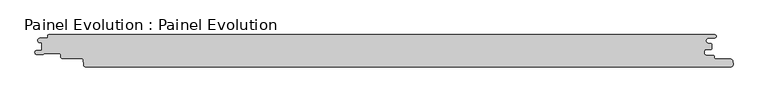
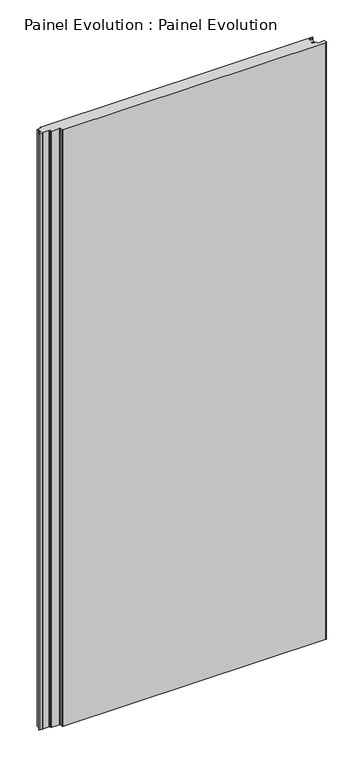
"""IFC4 building model written with IfcOpenShell, lengths in millimetres: proxy geometry, Painel Evolution : Painel Evolution."""

import ifcopenshell
import ifcopenshell.guid

model = None  # the IFC model being written
_history = None  # IfcOwnerHistory: only IFC2X3 demands one
_inside = {}  # id of a spatial element -> (the spatial element, [elements in it])
_under = {}  # id of a project, library or spatial element -> (it, [spatial elements below it])
_declared = {}  # id of a project -> (the project, [libraries it declares])
_typed = {}  # id of a type object -> (the type object, [elements of that type])
_made_of = {}  # id of a material, layer set ... -> (it, [elements and type objects made of it])


def new_model(schema):
    """Start an empty IFC model of exactly this schema.

    Asked for "IFC4X3", IfcOpenShell would pick the latest addendum, in which some entities
    have other attributes; the version numbers below select the first issue.
    IFC2X3 requires an IfcOwnerHistory on every rooted entity: one is made here for all.
    """
    global model, _history
    if schema == "IFC4X3":
        model = ifcopenshell.file(schema_version=(4, 3, 0, 0))
    else:
        model = ifcopenshell.file(schema=schema)
    _inside.clear()
    _under.clear()
    _declared.clear()
    _typed.clear()
    _made_of.clear()
    _history = None
    if model.schema == "IFC2X3":
        org = make("IfcOrganization", Name="unknown")
        user = make(
            "IfcPersonAndOrganization",
            ThePerson=make("IfcPerson", FamilyName="unknown"),
            TheOrganization=org,
        )
        app = make(
            "IfcApplication",
            ApplicationDeveloper=org,
            Version="unknown",
            ApplicationFullName="unknown",
            ApplicationIdentifier="unknown",
        )
        _history = make(
            "IfcOwnerHistory",
            OwningUser=user,
            OwningApplication=app,
            ChangeAction="ADDED",
            CreationDate=0,
        )
    return model


def make(cls, **values):
    """One entity of the class cls with the attributes given. An attribute that is None is left unset."""
    return model.create_entity(
        cls, **{name: value for name, value in values.items() if value is not None}
    )


def rooted(cls, **values):
    """An entity with a GlobalId (a new one), such as an element, a storey or a relation."""
    return make(cls, GlobalId=ifcopenshell.guid.new(), OwnerHistory=_history, **values)


def si_unit(unit_type, name, prefix=None):
    """IfcSIUnit, for example si_unit("LENGTHUNIT", "METRE", prefix="MILLI")."""
    return make("IfcSIUnit", UnitType=unit_type, Prefix=prefix, Name=name)


def assignment(units):
    """IfcUnitAssignment: the units of a project."""
    return None if units is None else make("IfcUnitAssignment", Units=units)


def point(xyz):
    """IfcCartesianPoint."""
    return None if xyz is None else make("IfcCartesianPoint", Coordinates=xyz)


def direction(xyz):
    """IfcDirection."""
    return None if xyz is None else make("IfcDirection", DirectionRatios=xyz)


def frame(location, z_axis=None, x_axis=None):
    """IfcAxis2Placement3D, a coordinate frame: its origin and axes. An axis left out is left unset."""
    return make(
        "IfcAxis2Placement3D",
        Location=point(location),
        Axis=direction(z_axis),
        RefDirection=direction(x_axis),
    )


def frame_2d(location, x_axis=None):
    """IfcAxis2Placement2D, a coordinate frame in the plane: its origin and x axis."""
    return make(
        "IfcAxis2Placement2D", Location=point(location), RefDirection=direction(x_axis)
    )


def origin():
    """The frame at (0, 0, 0) with its axes left unset."""
    return frame((0.0, 0.0, 0.0))


def origin_with_axes():
    """The frame at (0, 0, 0) with the z axis (0, 0, 1) and the x axis (1, 0, 0) written out."""
    return frame((0.0, 0.0, 0.0), z_axis=(0.0, 0.0, 1.0), x_axis=(1.0, 0.0, 0.0))


def place(relative_to, where):
    """IfcLocalPlacement: puts the frame where relative to a parent placement (None: the world)."""
    return make(
        "IfcLocalPlacement", PlacementRelTo=relative_to, RelativePlacement=where
    )


def context(
    kind, dimensions, precision=None, world=None, true_north=None, identifier=None
):
    """IfcGeometricRepresentationContext, for example the 3D "Model" context."""
    return make(
        "IfcGeometricRepresentationContext",
        ContextIdentifier=identifier,
        ContextType=kind,
        CoordinateSpaceDimension=dimensions,
        Precision=precision,
        WorldCoordinateSystem=world,
        TrueNorth=true_north,
    )


def project(units=None, contexts=None):
    """IfcProject with its units and contexts."""
    return rooted(
        "IfcProject",
        Name="project",
        RepresentationContexts=contexts,
        UnitsInContext=assignment(units),
    )


def spatial(cls, under=None, at=None, **own):
    """A site, building, storey or space (cls), placed at a placement, below another one or the project."""
    s = rooted(cls, ObjectPlacement=at, **own)
    if under is not None:
        _under.setdefault(under.id(), (under, []))[1].append(s)
    return s


def polyline(points):
    """IfcPolyline through the points."""
    return make("IfcPolyline", Points=[point(p) for p in points])


def circle_curve(where, radius):
    """IfcCircle in the frame where."""
    return make("IfcCircle", Position=where, Radius=radius)


def trimmed(basis, trim1, trim2, sense, master):
    """IfcTrimmedCurve: the piece of a basis curve between two trims."""
    return make(
        "IfcTrimmedCurve",
        BasisCurve=basis,
        Trim1=trim1,
        Trim2=trim2,
        SenseAgreement=sense,
        MasterRepresentation=master,
    )


def segment(curve, same_sense, transition):
    """IfcCompositeCurveSegment."""
    return make(
        "IfcCompositeCurveSegment",
        Transition=transition,
        SameSense=same_sense,
        ParentCurve=curve,
    )


def composite_curve(segments, self_intersect=None):
    """IfcCompositeCurve: segments joined end to end."""
    return make("IfcCompositeCurve", Segments=segments, SelfIntersect=self_intersect)


def outline(outer, holes=None, kind="AREA"):
    """IfcArbitraryClosedProfileDef: a profile drawn as a closed curve; with holes, ...WithVoids."""
    if holes is None:
        return make("IfcArbitraryClosedProfileDef", ProfileType=kind, OuterCurve=outer)
    return make(
        "IfcArbitraryProfileDefWithVoids",
        ProfileType=kind,
        OuterCurve=outer,
        InnerCurves=holes,
    )


def extrude(swept, where, along, depth):
    """IfcExtrudedAreaSolid: the profile swept, set in the frame where, extruded along a direction by depth."""
    return make(
        "IfcExtrudedAreaSolid",
        SweptArea=swept,
        Position=where,
        ExtrudedDirection=direction(along),
        Depth=depth,
    )


def shape(context_of_items, identifier, shape_type, items):
    """IfcShapeRepresentation: the items that make up one representation, for example the "Body"."""
    return make(
        "IfcShapeRepresentation",
        ContextOfItems=context_of_items,
        RepresentationIdentifier=identifier,
        RepresentationType=shape_type,
        Items=items,
    )


def source(mapping_origin, context_of_items, identifier, shape_type, items):
    """IfcRepresentationMap: a shape defined once, which mapped items show again and again."""
    return make(
        "IfcRepresentationMap",
        MappingOrigin=mapping_origin,
        MappedRepresentation=shape(context_of_items, identifier, shape_type, items),
    )


def transform(
    local_origin,
    x_axis=None,
    y_axis=None,
    z_axis=None,
    scale=None,
    scale2=None,
    scale3=None,
    uniform=True,
):
    """IfcCartesianTransformationOperator3D, or its non-uniform kind. x_axis, y_axis, z_axis: its Axis1, 2, 3."""
    if uniform:
        return make(
            "IfcCartesianTransformationOperator3D",
            Axis1=direction(x_axis),
            Axis2=direction(y_axis),
            LocalOrigin=point(local_origin),
            Scale=scale,
            Axis3=direction(z_axis),
        )
    return make(
        "IfcCartesianTransformationOperator3DnonUniform",
        Axis1=direction(x_axis),
        Axis2=direction(y_axis),
        LocalOrigin=point(local_origin),
        Scale=scale,
        Axis3=direction(z_axis),
        Scale2=scale2,
        Scale3=scale3,
    )


def mapped(mapping_source, mapping_target):
    """IfcMappedItem: shows the shape of a source again, moved by a transform."""
    return make(
        "IfcMappedItem", MappingSource=mapping_source, MappingTarget=mapping_target
    )


def made_of(thing, what):
    """Note that an element or type object is made of a material, layer set ...; save() writes the relation."""
    if what is not None:
        _made_of.setdefault(what.id(), (what, []))[1].append(thing)
    return thing


def element(
    cls,
    number,
    at=None,
    inside=None,
    cuts=None,
    type_object=None,
    material=None,
    context=None,
    identifier="Body",
    shape_type=None,
    held_by="IfcProductDefinitionShape",
    body=None,
    shapes=None,
    **own,
):
    """One element of the class cls, such as IfcWall. Its Tag is "e" and its number.

    at: its placement. inside: the storey or other place that contains it. cuts: it is an
    opening in that element (IfcRelVoidsElement). A single representation is given by context,
    identifier, shape_type and body (its items); several are given by shapes. held_by: the class
    of the entity that holds the representations. save() writes the other relations.
    """
    e = rooted(cls, Tag="e%d" % number, ObjectPlacement=at, **own)
    if body is not None:
        shapes = [shape(context, identifier, shape_type, body)]
    if shapes is not None:
        e.Representation = make(held_by, Representations=shapes)
    if inside is not None:
        _inside.setdefault(inside.id(), (inside, []))[1].append(e)
    if cuts is not None:
        rooted(
            "IfcRelVoidsElement", RelatingBuildingElement=cuts, RelatedOpeningElement=e
        )
    if type_object is not None:
        _typed.setdefault(type_object.id(), (type_object, []))[1].append(e)
    return made_of(e, material)


def aggregate(whole, parts):
    """IfcRelAggregates: a whole, such as a stair, and the parts it consists of."""
    return rooted("IfcRelAggregates", RelatingObject=whole, RelatedObjects=parts)


def save(model, path):
    """Write the relations noted so far, then the file.

    IfcRelAggregates (storeys below a building ...), IfcRelContainedInSpatialStructure (elements
    in a storey), IfcRelDefinesByType, IfcRelAssociatesMaterial and IfcRelDeclares: one each for
    every whole, place, type object, material and project.
    """
    for whole, parts in _under.values():
        aggregate(whole, parts)
    for where, things in _inside.values():
        rooted(
            "IfcRelContainedInSpatialStructure",
            RelatedElements=things,
            RelatingStructure=where,
        )
    for kind, things in _typed.values():
        rooted("IfcRelDefinesByType", RelatedObjects=things, RelatingType=kind)
    for what, things in _made_of.values():
        rooted("IfcRelAssociatesMaterial", RelatedObjects=things, RelatingMaterial=what)
    for by, libraries in _declared.values():
        rooted("IfcRelDeclares", RelatingContext=by, RelatedDefinitions=libraries)
    model.write(path)


def painel_evolution_painel_evolution_5774085d(model_context):
    return source(origin(), model_context, "Body", "SweptSolid", [
        extrude(outline(composite_curve([segment(trimmed(circle_curve(frame_2d((511.313274, 9.7225035)), 1.5999999), [point((511.5911111, 11.2981958))], [point((512.912729, 9.7642596))], False, "CARTESIAN"), True, "CONTINUOUS"), segment(polyline([(512.912729, 9.7642596), (512.912729, 3.1436506)]), True, "CONTINUOUS"), segment(trimmed(circle_curve(frame_2d((511.8673147, 3.1436506)), 1.0454142), [point((512.912729, 3.1436506))], [point((511.8673147, 2.0982364))], False, "CARTESIAN"), True, "CONTINUOUS"), segment(polyline([(511.8673147, 2.0982364), (503.9512072, 2.0982364)]), True, "CONTINUOUS"), segment(trimmed(circle_curve(frame_2d((503.9512072, -0.2517635)), 2.3499999), [point((503.9512072, 2.0982364))], [point((501.6012073, -0.2517635))], True, "CARTESIAN"), True, "CONTINUOUS"), segment(polyline([(501.6012073, -0.2517635), (501.6012073, -4.6548179)]), True, "CONTINUOUS"), segment(trimmed(circle_curve(frame_2d((503.9512072, -4.6548179)), 2.3499999), [point((501.6012073, -4.6548179))], [point((503.9512072, -7.0048179))], True, "CARTESIAN"), True, "CONTINUOUS"), segment(polyline([(503.9512072, -7.0048179), (514.620698, -7.0048179)]), True, "CONTINUOUS"), segment(trimmed(circle_curve(frame_2d((514.620698, -9.4048179)), 2.4), [point((514.620698, -7.0048179))], [point((517.020698, -9.4048179))], False, "CARTESIAN"), True, "CONTINUOUS"), segment(polyline([(517.020698, -9.4048179), (517.020698, -11.4048176)]), True, "CONTINUOUS"), segment(trimmed(circle_curve(frame_2d((518.620698, -11.4048176)), 1.6), [point((517.020698, -11.4048176))], [point((518.620698, -13.0048176))], True, "CARTESIAN"), True, "CONTINUOUS"), segment(polyline([(518.620698, -13.0048176), (542.0114544, -13.0048176)]), True, "CONTINUOUS"), segment(trimmed(circle_curve(frame_2d((542.0114544, -16.7048175)), 3.6999999), [point((542.0114544, -13.0048176))], [point((545.6606899, -16.0940152))], False, "CARTESIAN"), True, "CONTINUOUS"), segment(polyline([(545.6606899, -16.0940152), (546.1021208, -21.1370337)]), True, "CONTINUOUS"), segment(trimmed(circle_curve(frame_2d((542.5514013, -21.4373369)), 3.563396), [point((546.1021208, -21.1370337))], [point((542.6236695, -25.0))], False, "CARTESIAN"), True, "CONTINUOUS"), segment(polyline([(542.6236695, -25.0), (-459.4023864, -25.0)]), True, "CONTINUOUS"), segment(trimmed(circle_curve(frame_2d((-459.3507103, -22.1106339)), 2.8898282), [point((-459.4023864, -25.0))], [point((-462.2295384, -22.3625382))], False, "CARTESIAN"), True, "CONTINUOUS"), segment(polyline([(-462.2295384, -22.3625382), (-462.9760411, -13.8313116)]), True, "CONTINUOUS"), segment(trimmed(circle_curve(frame_2d((-464.9959051, -14.0080546)), 2.027582), [point((-462.9760411, -13.8313116))], [point((-463.3872648, -12.7738078))], True, "CARTESIAN"), True, "CONTINUOUS"), segment(trimmed(circle_curve(frame_2d((-464.9740222, -13.9912647)), 2.0), [point((-463.3872648, -12.7738078))], [point((-464.9818684, -11.99128))], True, "CARTESIAN"), True, "CONTINUOUS"), segment(polyline([(-464.9818684, -11.99128), (-494.9687938, -11.99128)]), True, "CONTINUOUS"), segment(trimmed(circle_curve(frame_2d((-494.9687938, -9.19128)), 2.8), [point((-494.9687938, -11.99128))], [point((-497.7687939, -9.19128))], False, "CARTESIAN"), True, "CONTINUOUS"), segment(polyline([(-497.7687939, -9.19128), (-497.7687939, -6.9007195)]), True, "CONTINUOUS"), segment(trimmed(circle_curve(frame_2d((-500.7687939, -6.9007195)), 3.0), [point((-497.7687939, -6.9007195))], [point((-500.7687939, -3.9007195))], True, "CARTESIAN"), True, "CONTINUOUS"), segment(polyline([(-500.7687939, -3.9007195), (-522.8062687, -3.9007195)]), True, "CONTINUOUS"), segment(trimmed(circle_curve(frame_2d((-522.8062687, -5.5007195)), 1.6), [point((-522.8062687, -3.9007195))], [point((-524.0123453, -4.4493494))], True, "CARTESIAN"), True, "CONTINUOUS"), segment(trimmed(circle_curve(frame_2d((-526.7593331, -2.7294942)), 3.2409634), [point((-524.0123453, -4.4493494))], [point((-525.2140128, -5.5783236))], False, "CARTESIAN"), True, "CONTINUOUS"), segment(trimmed(circle_curve(frame_2d((-526.3266399, -3.4518098)), 2.4), [point((-525.2140128, -5.5783236))], [point((-526.4215824, -5.8499312))], False, "CARTESIAN"), True, "CONTINUOUS"), segment(polyline([(-526.4215824, -5.8499312), (-534.7667193, -5.8499312)]), True, "CONTINUOUS"), segment(trimmed(circle_curve(frame_2d((-534.7667193, -2.5812398)), 3.2686913), [point((-534.7667193, -5.8499312))], [point((-534.9577702, 0.6818634))], False, "CARTESIAN"), True, "CONTINUOUS"), segment(polyline([(-534.9577702, 0.6818634), (-527.1155186, 0.6818634), (-527.1155186, 12.4922678), (-530.6488863, 12.4922678)]), True, "CONTINUOUS"), segment(trimmed(circle_curve(frame_2d((-529.8390625, 16.0)), 3.6), [point((-530.6488863, 12.4922678))], [point((-529.8390625, 19.6))], False, "CARTESIAN"), True, "CONTINUOUS"), segment(polyline([(-529.8390625, 19.6), (-520.0390625, 19.6)]), True, "CONTINUOUS"), segment(trimmed(circle_curve(frame_2d((-520.0390625, 21.6)), 2.0), [point((-520.0390625, 19.6))], [point((-518.0390625, 21.6))], True, "CARTESIAN"), True, "CONTINUOUS"), segment(polyline([(-518.0390625, 21.6), (-518.0390625, 23.0)]), True, "CONTINUOUS"), segment(trimmed(circle_curve(frame_2d((-516.0390625, 23.0)), 2.0), [point((-518.0390625, 23.0))], [point((-516.0390625, 25.0))], False, "CARTESIAN"), True, "CONTINUOUS"), segment(polyline([(-516.0390625, 25.0), (517.4609375, 25.0)]), True, "CONTINUOUS"), segment(trimmed(circle_curve(frame_2d((517.4609375, 22.5)), 2.5), [point((517.4609375, 25.0))], [point((517.4609375, 20.0))], False, "CARTESIAN"), True, "CONTINUOUS"), segment(polyline([(517.4609375, 20.0), (508.1893843, 20.0)]), True, "CONTINUOUS"), segment(trimmed(circle_curve(frame_2d((508.1893843, 15.6490979)), 4.3509021), [point((508.1893843, 20.0))], [point((508.1893843, 11.2981958))], True, "CARTESIAN"), True, "CONTINUOUS"), segment(polyline([(508.1893843, 11.2981958), (511.5911111, 11.2981958)]), True, "CONTINUOUS")], self_intersect=False)), origin_with_axes(), (0.0, 0.0, 1.0), 2400.0),
    ])


if __name__ == "__main__":
    model = new_model("IFC4")
    model_context = context("Model", 3, world=origin())
    ifc_project = project(units=[si_unit("LENGTHUNIT", "METRE", prefix="MILLI")], contexts=[model_context])
    site = spatial("IfcSite", under=ifc_project)
    building = spatial("IfcBuilding", under=site)
    placement = place(None, origin())
    painel_evolution_painel_evolution_shape = painel_evolution_painel_evolution_5774085d(model_context)
    element("IfcBuildingElementProxy", 1, Name="Painel Evolution : Painel Evolution", ObjectType="Painel Evolution : Painel Evolution", at=placement, inside=building, context=model_context, shape_type="MappedRepresentation", body=[
        mapped(painel_evolution_painel_evolution_shape, transform((0.0, 0.0, 0.0), x_axis=(1.0, 0.0, 0.0), y_axis=(0.0, 1.0, 0.0), z_axis=(0.0, 0.0, 1.0))),
    ])
    save(model, "model.ifc")
